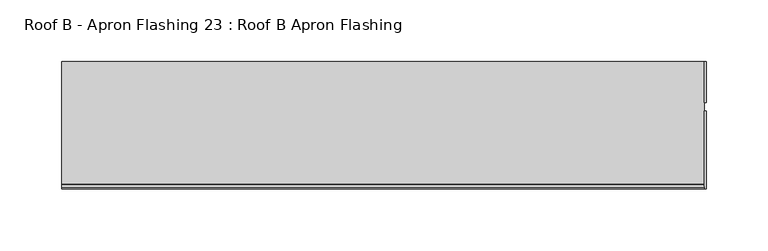
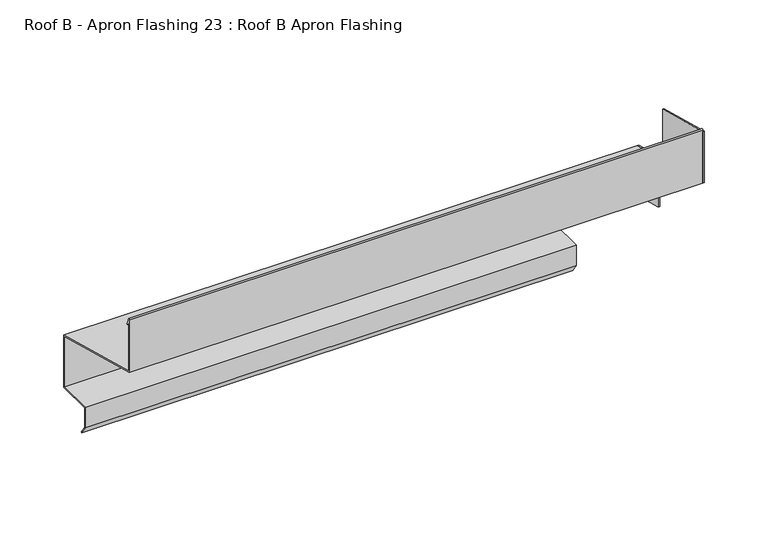
"""IFC4 building model written with IfcOpenShell, lengths in millimetres: proxy geometry, Roof B - Apron Flashing 23 : Roof B Apron Flashing."""

import ifcopenshell
import ifcopenshell.guid

model = None  # the IFC model being written
_history = None  # IfcOwnerHistory: only IFC2X3 demands one
_inside = {}  # id of a spatial element -> (the spatial element, [elements in it])
_under = {}  # id of a project, library or spatial element -> (it, [spatial elements below it])
_declared = {}  # id of a project -> (the project, [libraries it declares])
_typed = {}  # id of a type object -> (the type object, [elements of that type])
_made_of = {}  # id of a material, layer set ... -> (it, [elements and type objects made of it])


def new_model(schema):
    """Start an empty IFC model of exactly this schema.

    Asked for "IFC4X3", IfcOpenShell would pick the latest addendum, in which some entities
    have other attributes; the version numbers below select the first issue.
    IFC2X3 requires an IfcOwnerHistory on every rooted entity: one is made here for all.
    """
    global model, _history
    if schema == "IFC4X3":
        model = ifcopenshell.file(schema_version=(4, 3, 0, 0))
    else:
        model = ifcopenshell.file(schema=schema)
    _inside.clear()
    _under.clear()
    _declared.clear()
    _typed.clear()
    _made_of.clear()
    _history = None
    if model.schema == "IFC2X3":
        org = make("IfcOrganization", Name="unknown")
        user = make(
            "IfcPersonAndOrganization",
            ThePerson=make("IfcPerson", FamilyName="unknown"),
            TheOrganization=org,
        )
        app = make(
            "IfcApplication",
            ApplicationDeveloper=org,
            Version="unknown",
            ApplicationFullName="unknown",
            ApplicationIdentifier="unknown",
        )
        _history = make(
            "IfcOwnerHistory",
            OwningUser=user,
            OwningApplication=app,
            ChangeAction="ADDED",
            CreationDate=0,
        )
    return model


def make(cls, **values):
    """One entity of the class cls with the attributes given. An attribute that is None is left unset."""
    return model.create_entity(
        cls, **{name: value for name, value in values.items() if value is not None}
    )


def rooted(cls, **values):
    """An entity with a GlobalId (a new one), such as an element, a storey or a relation."""
    return make(cls, GlobalId=ifcopenshell.guid.new(), OwnerHistory=_history, **values)


def si_unit(unit_type, name, prefix=None):
    """IfcSIUnit, for example si_unit("LENGTHUNIT", "METRE", prefix="MILLI")."""
    return make("IfcSIUnit", UnitType=unit_type, Prefix=prefix, Name=name)


def assignment(units):
    """IfcUnitAssignment: the units of a project."""
    return None if units is None else make("IfcUnitAssignment", Units=units)


def point(xyz):
    """IfcCartesianPoint."""
    return None if xyz is None else make("IfcCartesianPoint", Coordinates=xyz)


def direction(xyz):
    """IfcDirection."""
    return None if xyz is None else make("IfcDirection", DirectionRatios=xyz)


def frame(location, z_axis=None, x_axis=None):
    """IfcAxis2Placement3D, a coordinate frame: its origin and axes. An axis left out is left unset."""
    return make(
        "IfcAxis2Placement3D",
        Location=point(location),
        Axis=direction(z_axis),
        RefDirection=direction(x_axis),
    )


def origin():
    """The frame at (0, 0, 0) with its axes left unset."""
    return frame((0.0, 0.0, 0.0))


def place(relative_to, where):
    """IfcLocalPlacement: puts the frame where relative to a parent placement (None: the world)."""
    return make(
        "IfcLocalPlacement", PlacementRelTo=relative_to, RelativePlacement=where
    )


def context(
    kind, dimensions, precision=None, world=None, true_north=None, identifier=None
):
    """IfcGeometricRepresentationContext, for example the 3D "Model" context."""
    return make(
        "IfcGeometricRepresentationContext",
        ContextIdentifier=identifier,
        ContextType=kind,
        CoordinateSpaceDimension=dimensions,
        Precision=precision,
        WorldCoordinateSystem=world,
        TrueNorth=true_north,
    )


def project(units=None, contexts=None):
    """IfcProject with its units and contexts."""
    return rooted(
        "IfcProject",
        Name="project",
        RepresentationContexts=contexts,
        UnitsInContext=assignment(units),
    )


def spatial(cls, under=None, at=None, **own):
    """A site, building, storey or space (cls), placed at a placement, below another one or the project."""
    s = rooted(cls, ObjectPlacement=at, **own)
    if under is not None:
        _under.setdefault(under.id(), (under, []))[1].append(s)
    return s


def polyline(points):
    """IfcPolyline through the points."""
    return make("IfcPolyline", Points=[point(p) for p in points])


def circle_curve(where, radius):
    """IfcCircle in the frame where."""
    return make("IfcCircle", Position=where, Radius=radius)


def outline(outer, holes=None, kind="AREA"):
    """IfcArbitraryClosedProfileDef: a profile drawn as a closed curve; with holes, ...WithVoids."""
    if holes is None:
        return make("IfcArbitraryClosedProfileDef", ProfileType=kind, OuterCurve=outer)
    return make(
        "IfcArbitraryProfileDefWithVoids",
        ProfileType=kind,
        OuterCurve=outer,
        InnerCurves=holes,
    )


def extrude(swept, where, along, depth):
    """IfcExtrudedAreaSolid: the profile swept, set in the frame where, extruded along a direction by depth."""
    return make(
        "IfcExtrudedAreaSolid",
        SweptArea=swept,
        Position=where,
        ExtrudedDirection=direction(along),
        Depth=depth,
    )


def shape(context_of_items, identifier, shape_type, items):
    """IfcShapeRepresentation: the items that make up one representation, for example the "Body"."""
    return make(
        "IfcShapeRepresentation",
        ContextOfItems=context_of_items,
        RepresentationIdentifier=identifier,
        RepresentationType=shape_type,
        Items=items,
    )


def source(mapping_origin, context_of_items, identifier, shape_type, items):
    """IfcRepresentationMap: a shape defined once, which mapped items show again and again."""
    return make(
        "IfcRepresentationMap",
        MappingOrigin=mapping_origin,
        MappedRepresentation=shape(context_of_items, identifier, shape_type, items),
    )


def transform(
    local_origin,
    x_axis=None,
    y_axis=None,
    z_axis=None,
    scale=None,
    scale2=None,
    scale3=None,
    uniform=True,
):
    """IfcCartesianTransformationOperator3D, or its non-uniform kind. x_axis, y_axis, z_axis: its Axis1, 2, 3."""
    if uniform:
        return make(
            "IfcCartesianTransformationOperator3D",
            Axis1=direction(x_axis),
            Axis2=direction(y_axis),
            LocalOrigin=point(local_origin),
            Scale=scale,
            Axis3=direction(z_axis),
        )
    return make(
        "IfcCartesianTransformationOperator3DnonUniform",
        Axis1=direction(x_axis),
        Axis2=direction(y_axis),
        LocalOrigin=point(local_origin),
        Scale=scale,
        Axis3=direction(z_axis),
        Scale2=scale2,
        Scale3=scale3,
    )


def mapped(mapping_source, mapping_target):
    """IfcMappedItem: shows the shape of a source again, moved by a transform."""
    return make(
        "IfcMappedItem", MappingSource=mapping_source, MappingTarget=mapping_target
    )


def made_of(thing, what):
    """Note that an element or type object is made of a material, layer set ...; save() writes the relation."""
    if what is not None:
        _made_of.setdefault(what.id(), (what, []))[1].append(thing)
    return thing


def element(
    cls,
    number,
    at=None,
    inside=None,
    cuts=None,
    type_object=None,
    material=None,
    context=None,
    identifier="Body",
    shape_type=None,
    held_by="IfcProductDefinitionShape",
    body=None,
    shapes=None,
    **own,
):
    """One element of the class cls, such as IfcWall. Its Tag is "e" and its number.

    at: its placement. inside: the storey or other place that contains it. cuts: it is an
    opening in that element (IfcRelVoidsElement). A single representation is given by context,
    identifier, shape_type and body (its items); several are given by shapes. held_by: the class
    of the entity that holds the representations. save() writes the other relations.
    """
    e = rooted(cls, Tag="e%d" % number, ObjectPlacement=at, **own)
    if body is not None:
        shapes = [shape(context, identifier, shape_type, body)]
    if shapes is not None:
        e.Representation = make(held_by, Representations=shapes)
    if inside is not None:
        _inside.setdefault(inside.id(), (inside, []))[1].append(e)
    if cuts is not None:
        rooted(
            "IfcRelVoidsElement", RelatingBuildingElement=cuts, RelatedOpeningElement=e
        )
    if type_object is not None:
        _typed.setdefault(type_object.id(), (type_object, []))[1].append(e)
    return made_of(e, material)


def aggregate(whole, parts):
    """IfcRelAggregates: a whole, such as a stair, and the parts it consists of."""
    return rooted("IfcRelAggregates", RelatingObject=whole, RelatedObjects=parts)


def save(model, path):
    """Write the relations noted so far, then the file.

    IfcRelAggregates (storeys below a building ...), IfcRelContainedInSpatialStructure (elements
    in a storey), IfcRelDefinesByType, IfcRelAssociatesMaterial and IfcRelDeclares: one each for
    every whole, place, type object, material and project.
    """
    for whole, parts in _under.values():
        aggregate(whole, parts)
    for where, things in _inside.values():
        rooted(
            "IfcRelContainedInSpatialStructure",
            RelatedElements=things,
            RelatingStructure=where,
        )
    for kind, things in _typed.values():
        rooted("IfcRelDefinesByType", RelatedObjects=things, RelatingType=kind)
    for what, things in _made_of.values():
        rooted("IfcRelAssociatesMaterial", RelatedObjects=things, RelatingMaterial=what)
    for by, libraries in _declared.values():
        rooted("IfcRelDeclares", RelatingContext=by, RelatedDefinitions=libraries)
    model.write(path)


def plane_surface(at):
    """IfcPlane: the flat surface through the origin of the frame at, square to its z axis."""
    return make("IfcPlane", Position=at)


def cylinder_surface(at, radius):
    """IfcCylindricalSurface: all points at the distance radius from the z axis of the frame at."""
    return make("IfcCylindricalSurface", Position=at, Radius=radius)


def advanced_brep(points, edges, surfaces, faces):
    """IfcAdvancedBrep: a solid bounded by faces that lie on surfaces and meet in shared edges.

    An edge is (start, end): straight between two places in points (the first is 0);
    or (start, end, curve); or (start, end, curve, False) where it runs against its curve.
    A face is (place in surfaces, loops), or (place, loops, False) where it looks against
    its surface's normal. A loop lists edges by number (the first is 1), with a minus sign
    where the edge is run from its end to its start. The first loop is the outer one.
    """
    corners = [point(p) for p in points]
    vertices = [make("IfcVertexPoint", VertexGeometry=c) for c in corners]
    made = []
    for start, end, *more in edges:
        made.append(
            make(
                "IfcEdgeCurve",
                EdgeStart=vertices[start],
                EdgeEnd=vertices[end],
                EdgeGeometry=more[0] if more else make("IfcPolyline", Points=[corners[start], corners[end]]),
                SameSense=more[1] if len(more) > 1 else True,
            )
        )
    hull = []
    for where, loops, *sense in faces:
        bounds = []
        for j, loop in enumerate(loops):
            ring = [make("IfcOrientedEdge", EdgeElement=made[abs(k) - 1], Orientation=k > 0) for k in loop]
            bounds.append(
                make(
                    "IfcFaceOuterBound" if j == 0 else "IfcFaceBound",
                    Bound=make("IfcEdgeLoop", EdgeList=ring),
                    Orientation=True,
                )
            )
        hull.append(make("IfcAdvancedFace", Bounds=bounds, FaceSurface=surfaces[where], SameSense=sense[0] if sense else True))
    return make("IfcAdvancedBrep", Outer=make("IfcClosedShell", CfsFaces=hull))


def roof_b_apron_flashing_23_roof_b_apron_flashing_263ce9c2(model_context):
    return source(origin(), model_context, "Body", "SolidModel", [
        extrude(outline(polyline([(5660.2773132, -242.0096237), (5660.2773132, -292.0096237), (5659.2776076, -292.0096237), (5659.2776076, -289.5944306), (5627.4023812, -281.0534894), (5627.4023812, -233.2008122), (5660.2773132, -242.0096237)])), frame((12286.0219031, 0.0, 0.0), z_axis=(1.0, 0.0, 0.0), x_axis=(0.0, 1.0, 0.0)), (0.0, 0.0, 1.0), 1.3240587),
        extrude(outline(polyline([(5620.4882944, -232.3834644), (5557.4043312, -215.4801674), (5557.4043312, -166.2122183), (5620.4882944, -183.1155152), (5620.4882944, -232.3834644)])), frame((12286.0219031, 0.0, 0.0), z_axis=(1.0, 0.0, 0.0), x_axis=(0.0, 1.0, 0.0)), (0.0, 0.0, 1.0), 1.3240587),
        advanced_brep(
        [(12286.0219031, 5660.2773132, -242.0096237), (12286.0219031, 5558.4043312, -214.7128405), (12286.0219031, 5558.4043312, -166.5489273), (12286.0219031, 5560.2002452, -170.9939705), (12286.0219031, 5561.1274291, -170.6193639), (12286.0219031, 5558.7129742, -164.6433784), (12286.0219031, 5557.4043312, -164.8977528), (12286.0219031, 5557.4043312, -215.4801674), (12286.0219031, 5659.2773132, -242.7769507), (12286.0219031, 5659.2776076, -292.0096237), (12286.0219031, 5660.2773132, -292.0096237), (11766.9913177, 5660.2773132, -242.0096237), (11766.9913177, 5660.2773132, -292.0096237), (11766.9913177, 5627.6739483, -292.0096237), (11766.9913177, 5627.6739483, -310.3959053), (11766.9913177, 5632.884848, -317.8378413), (11766.9913177, 5632.065696, -318.4114178), (11766.9913177, 5626.6739483, -310.7112041), (11766.9913177, 5626.6739483, -291.0096237), (11766.9913177, 5659.2773132, -291.0096237), (11766.9913177, 5659.2773132, -242.7769507), (11766.9913177, 5557.4043312, -215.4801674), (11766.9913177, 5557.4043312, -164.8977528), (11766.9913177, 5558.7129742, -164.6433784), (11766.9913177, 5561.1274291, -170.6193639), (11766.9913177, 5560.2002452, -170.9939705), (11766.9913177, 5558.4043312, -166.5489273), (11766.9913177, 5558.4043312, -214.7128405), (12211.4791786, 5659.2773132, -291.0096237), (12211.4791786, 5659.2773132, -292.0096237), (12211.4791786, 5626.6739483, -291.0096237), (12211.4791786, 5626.6739483, -310.7112041), (12211.4791786, 5627.6739483, -292.0096237), (12211.4791786, 5627.6739483, -310.3959053), (12211.4791786, 5632.065696, -318.4114178), (12211.4791786, 5632.884848, -317.8378413)],
        [
            (0, 1),
            (1, 2),
            (2, 3),
            (3, 4, circle_curve(frame((12286.0219031, 5560.6638371, -170.8066672), z_axis=(1.0, 0.0, 0.0), x_axis=(0.0, 0.24192189559966418, 0.9702957262759974)), 0.5)),
            (4, 5),
            (5, 6, circle_curve(frame((12286.0219031, 5558.0833754, -164.8977528), z_axis=(1.0, 0.0, 0.0), x_axis=(0.0, 0.0, 1.0)), 0.6790442)),
            (6, 7),
            (7, 8),
            (8, 9),
            (9, 10),
            (10, 0),
            (11, 12),
            (12, 13),
            (13, 14),
            (14, 15),
            (15, 16),
            (16, 17),
            (17, 18),
            (18, 19),
            (19, 20),
            (20, 21),
            (21, 22),
            (22, 23, circle_curve(frame((11766.9913177, 5558.0833754, -164.8977528), z_axis=(-1.0, 0.0, 0.0), x_axis=(0.0, 0.0, 1.0)), 0.6790442)),
            (23, 24),
            (24, 25, circle_curve(frame((11766.9913177, 5560.6638371, -170.8066672), z_axis=(-1.0, 0.0, 0.0), x_axis=(0.0, 0.24192189559966418, 0.9702957262759974)), 0.5)),
            (25, 26),
            (26, 27),
            (27, 11),
            (0, 11),
            (27, 1),
            (26, 2),
            (25, 3),
            (24, 4),
            (23, 5),
            (22, 6),
            (21, 7),
            (20, 8),
            (19, 28),
            (28, 29),
            (29, 9),
            (18, 30),
            (30, 28),
            (17, 31),
            (31, 30),
            (13, 32),
            (32, 33),
            (33, 14),
            (12, 10),
            (29, 32),
            (16, 34),
            (34, 31),
            (15, 35),
            (35, 34),
            (33, 35),
        ],
        [
            plane_surface(frame((12286.0219031, 5461.8722381, -298.0327356), z_axis=(1.0, 0.0, 0.0), x_axis=(0.0, 1.0, 0.0))),
            plane_surface(frame((11766.9913177, 5461.8722381, -298.0327356), z_axis=(-1.0, 0.0, 0.0), x_axis=(0.0, 1.0, 0.0))),
            plane_surface(frame((12286.0219031, 5660.2773132, -242.0096237), z_axis=(0.0, 0.25881904510252063, 0.9659258262890684), x_axis=(-1.0, 0.0, 0.0))),
            plane_surface(frame((12286.0219031, 5558.4043312, -214.7128405), z_axis=(0.0, 1.0, 0.0), x_axis=(-1.0, 0.0, 0.0))),
            plane_surface(frame((12286.0219031, 5558.4043312, -166.5489273), z_axis=(0.0, -0.9271838545667873, -0.3746065934159123), x_axis=(-1.0, 0.0, 0.0))),
            cylinder_surface(frame((12286.0219031, 5560.6638371, -170.8066672), z_axis=(1.0, 0.0, 0.0), x_axis=(0.0, 0.24192189559966418, 0.9702957262759974)), 0.5),
            plane_surface(frame((12286.0219031, 5561.1274291, -170.6193639), z_axis=(0.0, 0.9271838545667873, 0.3746065934159123), x_axis=(-1.0, 0.0, 0.0))),
            cylinder_surface(frame((12286.0219031, 5558.0833754, -164.8977528), z_axis=(1.0, 0.0, 0.0), x_axis=(0.0, 0.0, 1.0)), 0.6790442),
            plane_surface(frame((12286.0219031, 5557.4043312, -164.8977528), z_axis=(0.0, -1.0, 0.0), x_axis=(-1.0, 0.0, 0.0))),
            plane_surface(frame((12286.0219031, 5557.4043312, -215.4801674), z_axis=(0.0, -0.2588190451025208, -0.9659258262890683), x_axis=(-1.0, 0.0, 0.0))),
            plane_surface(frame((12286.0219031, 5659.2773132, -242.7769507), z_axis=(0.0, -1.0, 0.0), x_axis=(-1.0, 0.0, 0.0))),
            plane_surface(frame((12286.0219031, 5659.2773132, -291.0096237), z_axis=(0.0, 0.0, 1.0), x_axis=(-1.0, 0.0, 0.0))),
            plane_surface(frame((12286.0219031, 5626.6739483, -291.0096237), z_axis=(0.0, -1.0, 0.0), x_axis=(-1.0, 0.0, 0.0))),
            plane_surface(frame((12286.0219031, 5627.6739483, -310.3959053), z_axis=(0.0, 1.0, 0.0), x_axis=(-1.0, 0.0, 0.0))),
            plane_surface(frame((12286.0219031, 5627.6739483, -292.0096237), z_axis=(0.0, 0.0, -1.0), x_axis=(-1.0, 0.0, 0.0))),
            plane_surface(frame((12286.0219031, 5660.2773132, -292.0096237), z_axis=(0.0, 1.0, 0.0), x_axis=(-1.0, 0.0, 0.0))),
            plane_surface(frame((12286.0219031, 5626.6739483, -310.7112041), z_axis=(0.0, -0.8191520442889942, -0.5735764363510427), x_axis=(-1.0, 0.0, 0.0))),
            plane_surface(frame((12286.0219031, 5632.065696, -318.4114178), z_axis=(0.0, 0.5735764363510357, -0.8191520442889991), x_axis=(-1.0, 0.0, 0.0))),
            plane_surface(frame((12286.0219031, 5632.884848, -317.8378413), z_axis=(0.0, 0.8191520442889942, 0.5735764363510427), x_axis=(-1.0, 0.0, 0.0))),
            plane_surface(frame((12211.4791786, 5988.4739162, -605.2282213), z_axis=(1.0, 0.0, 0.0), x_axis=(0.0, -0.9659258262890683, 0.2588190451025206))),
        ],
        [
            (0, [[1, 2, 3, 4, 5, 6, 7, 8, 9, 10, 11]]),
            (1, [[12, 13, 14, 15, 16, 17, 18, 19, 20, 21, 22, 23, 24, 25, 26, 27, 28]]),
            (2, [[-1, 29, -28, 30]]),
            (3, [[-2, -30, -27, 31]]),
            (4, [[-3, -31, -26, 32]]),
            (5, [[-4, -32, -25, 33]]),
            (6, [[-5, -33, -24, 34]]),
            (7, [[-6, -34, -23, 35]]),
            (8, [[-7, -35, -22, 36]]),
            (9, [[-8, -36, -21, 37]]),
            (10, [[-20, 38, 39, 40, -9, -37]]),
            (11, [[-19, 41, 42, -38]]),
            (12, [[-18, 43, 44, -41]]),
            (13, [[-14, 45, 46, 47]]),
            (14, [[-13, 48, -10, -40, 49, -45]]),
            (15, [[-11, -48, -12, -29]]),
            (16, [[-17, 50, 51, -43]]),
            (17, [[-16, 52, 53, -50]]),
            (18, [[-15, -47, 54, -52]]),
            (19, [[-39, -42, -44, -51, -53, -54, -46, -49]]),
        ],
    ),
    ])


if __name__ == "__main__":
    model = new_model("IFC4")
    model_context = context("Model", 3, world=origin())
    ifc_project = project(units=[si_unit("LENGTHUNIT", "METRE", prefix="MILLI")], contexts=[model_context])
    site = spatial("IfcSite", under=ifc_project)
    building = spatial("IfcBuilding", under=site)
    placement = place(None, origin())
    roof_b_apron_flashing_23_roof_b_apron_flashing_shape = roof_b_apron_flashing_23_roof_b_apron_flashing_263ce9c2(model_context)
    element("IfcBuildingElementProxy", 1, Name="Roof B - Apron Flashing 23 : Roof B Apron Flashing", ObjectType="Roof B - Apron Flashing 23 : Roof B Apron Flashing", at=placement, inside=building, context=model_context, shape_type="MappedRepresentation", body=[
        mapped(roof_b_apron_flashing_23_roof_b_apron_flashing_shape, transform((0.0, 0.0, 0.0), x_axis=(1.0, 0.0, 0.0), y_axis=(0.0, 1.0, 0.0), z_axis=(0.0, 0.0, 1.0))),
    ])
    save(model, "model.ifc")
